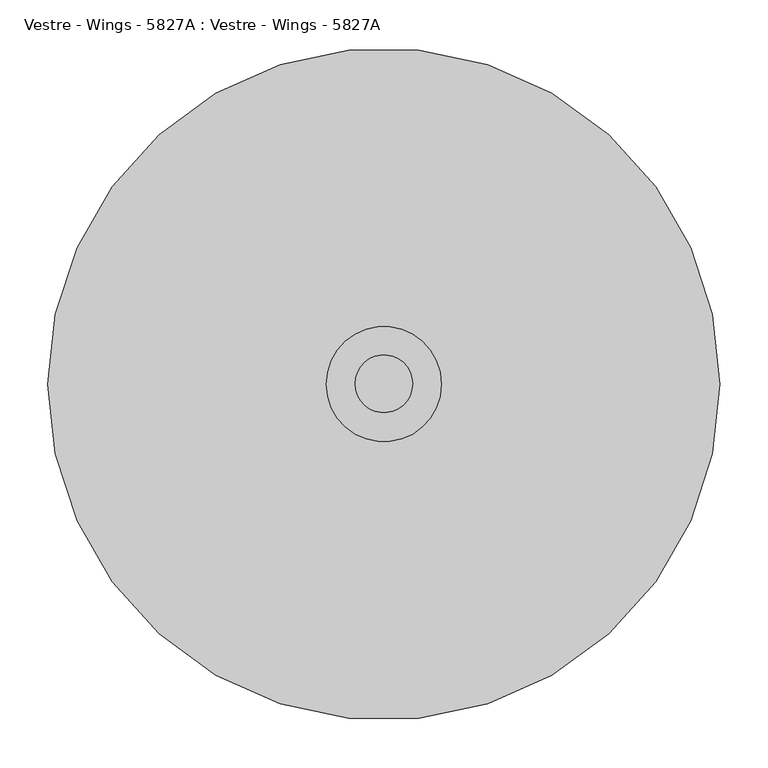
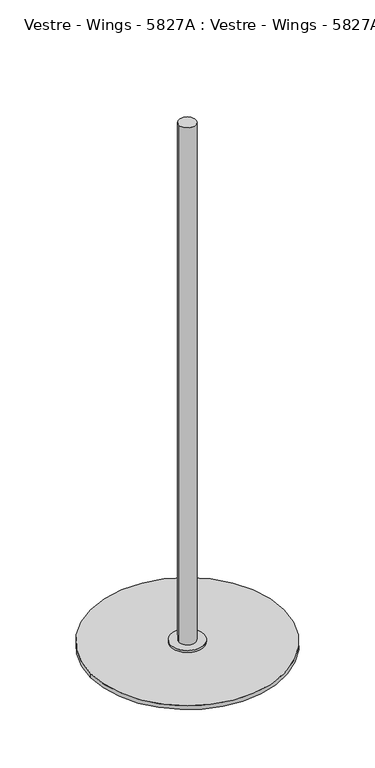
"""IFC4 building model written with IfcOpenShell, lengths in millimetres: furniture geometry, Vestre - Wings - 5827A : Vestre - Wings - 5827A."""

from ifc_helpers import new_model, si_unit, point, frame, origin, origin_with_axes, origin_2d, place, context, project, spatial, circle_curve, trimmed, segment, composite_curve, outline, extrude, source, transform, mapped, element, save


def vestre_wings_5827a_vestre_wings_5827a_816fddad(model_context):
    return source(origin(), model_context, "Body", "SweptSolid", [
        extrude(outline(composite_curve([segment(trimmed(circle_curve(origin_2d(), 30.0), [point((-30.0, 0.0))], [point((30.0, 0.0))], False, "CARTESIAN"), True, "CONTINUOUS"), segment(trimmed(circle_curve(origin_2d(), 30.0), [point((30.0, 0.0))], [point((-30.0, 0.0))], False, "CARTESIAN"), True, "CONTINUOUS")], self_intersect=False)), frame((0.0, 0.0, 22.85), z_axis=(0.0, 0.0, 1.0), x_axis=(1.0, 0.0, 0.0)), (0.0, 0.0, 1.0), 1977.15),
        extrude(outline(composite_curve([segment(trimmed(circle_curve(origin_2d(), 60.0), [point((-60.0, 0.0))], [point((60.0, 0.0))], False, "CARTESIAN"), True, "CONTINUOUS"), segment(trimmed(circle_curve(origin_2d(), 60.0), [point((60.0, 0.0))], [point((-60.0, 0.0))], False, "CARTESIAN"), True, "CONTINUOUS")], self_intersect=False)), frame((0.0, 0.0, 15.0), z_axis=(0.0, 0.0, 1.0), x_axis=(1.0, 0.0, 0.0)), (0.0, 0.0, 1.0), 7.85),
        extrude(outline(composite_curve([segment(trimmed(circle_curve(origin_2d(), 350.0), [point((-350.0, 0.0))], [point((350.0, 0.0))], False, "CARTESIAN"), True, "CONTINUOUS"), segment(trimmed(circle_curve(origin_2d(), 350.0), [point((350.0, 0.0))], [point((-350.0, 0.0))], False, "CARTESIAN"), True, "CONTINUOUS")], self_intersect=False)), origin_with_axes(), (0.0, 0.0, 1.0), 15.0),
    ])


if __name__ == "__main__":
    model = new_model("IFC4")
    model_context = context("Model", 3, world=origin())
    ifc_project = project(units=[si_unit("LENGTHUNIT", "METRE", prefix="MILLI")], contexts=[model_context])
    site = spatial("IfcSite", under=ifc_project)
    building = spatial("IfcBuilding", under=site)
    placement = place(None, origin())
    vestre_wings_5827a_vestre_wings_5827a_shape = vestre_wings_5827a_vestre_wings_5827a_816fddad(model_context)
    element("IfcFurniture", 1, ObjectType="Vestre - Wings - 5827A : Vestre - Wings - 5827A", at=placement, inside=building, context=model_context, shape_type="MappedRepresentation", body=[
        mapped(vestre_wings_5827a_vestre_wings_5827a_shape, transform((0.0, 0.0, 0.0), x_axis=(1.0, 0.0, 0.0), y_axis=(0.0, 1.0, 0.0), z_axis=(0.0, 0.0, 1.0))),
    ])
    save(model, "model.ifc")
